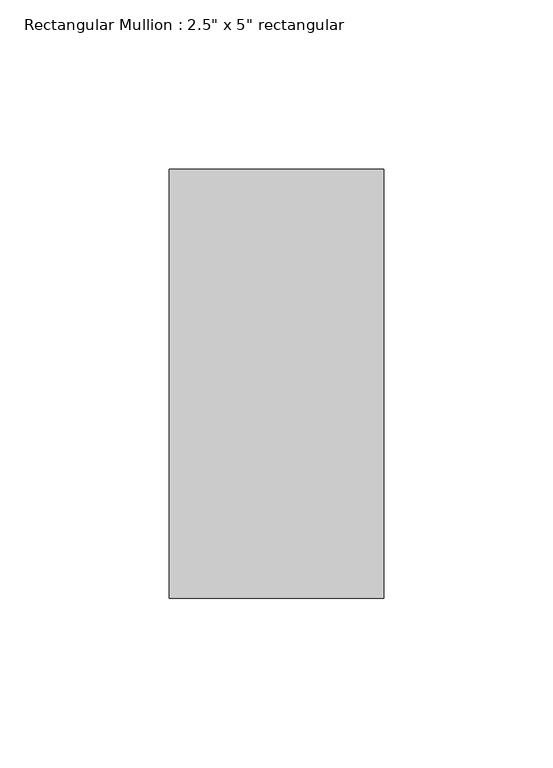
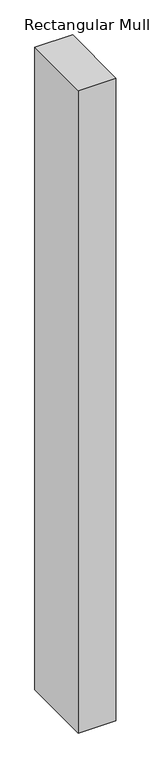
"""IFC4 building model written with IfcOpenShell, lengths in millimetres: member geometry."""

from ifc_helpers import new_model, si_unit, frame, origin, place, context, project, spatial, polyline, outline, extrude, source, transform, mapped, element, save


def member_8855dcee(model_context):
    return source(origin(), model_context, "Body", "SweptSolid", [
        extrude(outline(polyline([(31.75, 63.5), (31.75, -63.5), (-31.75, -63.5), (-31.75, 63.5), (31.75, 63.5)])), frame((0.0, 0.0, -1146.575), z_axis=(0.0, 0.0, 1.0), x_axis=(1.0, 0.0, 0.0)), (0.0, 0.0, 1.0), 1146.575),
    ])


if __name__ == "__main__":
    model = new_model("IFC4")
    model_context = context("Model", 3, world=origin())
    ifc_project = project(units=[si_unit("LENGTHUNIT", "METRE", prefix="MILLI")], contexts=[model_context])
    site = spatial("IfcSite", under=ifc_project)
    building = spatial("IfcBuilding", under=site)
    placement = place(None, origin())
    member_shape = member_8855dcee(model_context)
    element("IfcMember", 1, ObjectType="Rectangular Mullion : 2.5\" x 5\" rectangular", at=placement, inside=building, context=model_context, shape_type="MappedRepresentation", body=[
        mapped(member_shape, transform((0.0, 0.0, 0.0), x_axis=(1.0, 0.0, 0.0), y_axis=(0.0, 1.0, 0.0), z_axis=(0.0, 0.0, 1.0))),
    ])
    save(model, "model.ifc")
